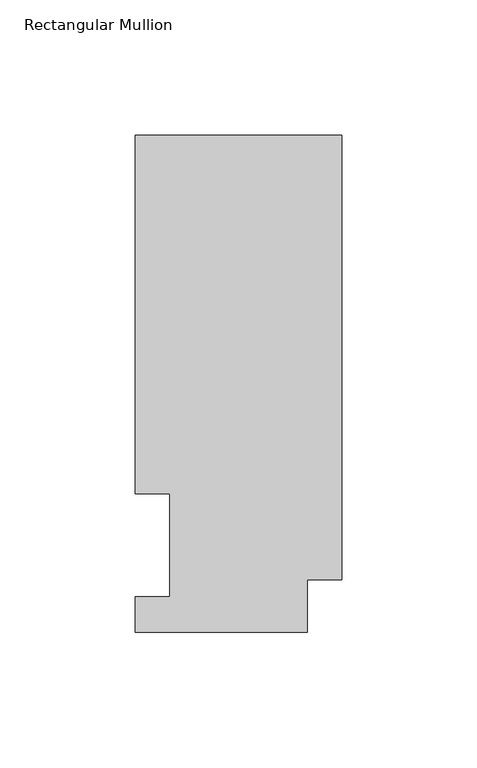
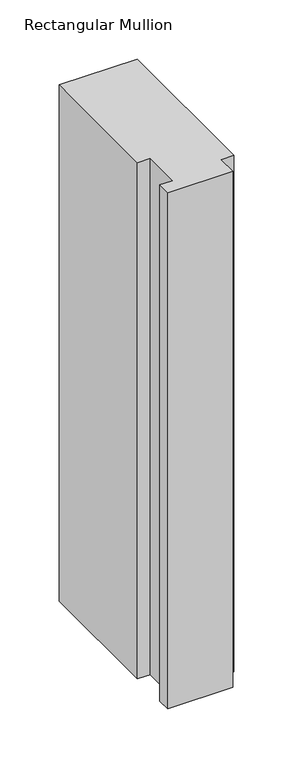
"""IFC4 building model written with IfcOpenShell, lengths in millimetres: member geometry, Rectangular Mullion."""

import ifcopenshell
import ifcopenshell.guid

model = None  # the IFC model being written
_history = None  # IfcOwnerHistory: only IFC2X3 demands one
_inside = {}  # id of a spatial element -> (the spatial element, [elements in it])
_under = {}  # id of a project, library or spatial element -> (it, [spatial elements below it])
_declared = {}  # id of a project -> (the project, [libraries it declares])
_typed = {}  # id of a type object -> (the type object, [elements of that type])
_made_of = {}  # id of a material, layer set ... -> (it, [elements and type objects made of it])


def new_model(schema):
    """Start an empty IFC model of exactly this schema.

    Asked for "IFC4X3", IfcOpenShell would pick the latest addendum, in which some entities
    have other attributes; the version numbers below select the first issue.
    IFC2X3 requires an IfcOwnerHistory on every rooted entity: one is made here for all.
    """
    global model, _history
    if schema == "IFC4X3":
        model = ifcopenshell.file(schema_version=(4, 3, 0, 0))
    else:
        model = ifcopenshell.file(schema=schema)
    _inside.clear()
    _under.clear()
    _declared.clear()
    _typed.clear()
    _made_of.clear()
    _history = None
    if model.schema == "IFC2X3":
        org = make("IfcOrganization", Name="unknown")
        user = make(
            "IfcPersonAndOrganization",
            ThePerson=make("IfcPerson", FamilyName="unknown"),
            TheOrganization=org,
        )
        app = make(
            "IfcApplication",
            ApplicationDeveloper=org,
            Version="unknown",
            ApplicationFullName="unknown",
            ApplicationIdentifier="unknown",
        )
        _history = make(
            "IfcOwnerHistory",
            OwningUser=user,
            OwningApplication=app,
            ChangeAction="ADDED",
            CreationDate=0,
        )
    return model


def make(cls, **values):
    """One entity of the class cls with the attributes given. An attribute that is None is left unset."""
    return model.create_entity(
        cls, **{name: value for name, value in values.items() if value is not None}
    )


def rooted(cls, **values):
    """An entity with a GlobalId (a new one), such as an element, a storey or a relation."""
    return make(cls, GlobalId=ifcopenshell.guid.new(), OwnerHistory=_history, **values)


def si_unit(unit_type, name, prefix=None):
    """IfcSIUnit, for example si_unit("LENGTHUNIT", "METRE", prefix="MILLI")."""
    return make("IfcSIUnit", UnitType=unit_type, Prefix=prefix, Name=name)


def assignment(units):
    """IfcUnitAssignment: the units of a project."""
    return None if units is None else make("IfcUnitAssignment", Units=units)


def point(xyz):
    """IfcCartesianPoint."""
    return None if xyz is None else make("IfcCartesianPoint", Coordinates=xyz)


def direction(xyz):
    """IfcDirection."""
    return None if xyz is None else make("IfcDirection", DirectionRatios=xyz)


def frame(location, z_axis=None, x_axis=None):
    """IfcAxis2Placement3D, a coordinate frame: its origin and axes. An axis left out is left unset."""
    return make(
        "IfcAxis2Placement3D",
        Location=point(location),
        Axis=direction(z_axis),
        RefDirection=direction(x_axis),
    )


def origin():
    """The frame at (0, 0, 0) with its axes left unset."""
    return frame((0.0, 0.0, 0.0))


def place(relative_to, where):
    """IfcLocalPlacement: puts the frame where relative to a parent placement (None: the world)."""
    return make(
        "IfcLocalPlacement", PlacementRelTo=relative_to, RelativePlacement=where
    )


def context(
    kind, dimensions, precision=None, world=None, true_north=None, identifier=None
):
    """IfcGeometricRepresentationContext, for example the 3D "Model" context."""
    return make(
        "IfcGeometricRepresentationContext",
        ContextIdentifier=identifier,
        ContextType=kind,
        CoordinateSpaceDimension=dimensions,
        Precision=precision,
        WorldCoordinateSystem=world,
        TrueNorth=true_north,
    )


def project(units=None, contexts=None):
    """IfcProject with its units and contexts."""
    return rooted(
        "IfcProject",
        Name="project",
        RepresentationContexts=contexts,
        UnitsInContext=assignment(units),
    )


def spatial(cls, under=None, at=None, **own):
    """A site, building, storey or space (cls), placed at a placement, below another one or the project."""
    s = rooted(cls, ObjectPlacement=at, **own)
    if under is not None:
        _under.setdefault(under.id(), (under, []))[1].append(s)
    return s


def polyline(points):
    """IfcPolyline through the points."""
    return make("IfcPolyline", Points=[point(p) for p in points])


def outline(outer, holes=None, kind="AREA"):
    """IfcArbitraryClosedProfileDef: a profile drawn as a closed curve; with holes, ...WithVoids."""
    if holes is None:
        return make("IfcArbitraryClosedProfileDef", ProfileType=kind, OuterCurve=outer)
    return make(
        "IfcArbitraryProfileDefWithVoids",
        ProfileType=kind,
        OuterCurve=outer,
        InnerCurves=holes,
    )


def extrude(swept, where, along, depth):
    """IfcExtrudedAreaSolid: the profile swept, set in the frame where, extruded along a direction by depth."""
    return make(
        "IfcExtrudedAreaSolid",
        SweptArea=swept,
        Position=where,
        ExtrudedDirection=direction(along),
        Depth=depth,
    )


def shape(context_of_items, identifier, shape_type, items):
    """IfcShapeRepresentation: the items that make up one representation, for example the "Body"."""
    return make(
        "IfcShapeRepresentation",
        ContextOfItems=context_of_items,
        RepresentationIdentifier=identifier,
        RepresentationType=shape_type,
        Items=items,
    )


def source(mapping_origin, context_of_items, identifier, shape_type, items):
    """IfcRepresentationMap: a shape defined once, which mapped items show again and again."""
    return make(
        "IfcRepresentationMap",
        MappingOrigin=mapping_origin,
        MappedRepresentation=shape(context_of_items, identifier, shape_type, items),
    )


def transform(
    local_origin,
    x_axis=None,
    y_axis=None,
    z_axis=None,
    scale=None,
    scale2=None,
    scale3=None,
    uniform=True,
):
    """IfcCartesianTransformationOperator3D, or its non-uniform kind. x_axis, y_axis, z_axis: its Axis1, 2, 3."""
    if uniform:
        return make(
            "IfcCartesianTransformationOperator3D",
            Axis1=direction(x_axis),
            Axis2=direction(y_axis),
            LocalOrigin=point(local_origin),
            Scale=scale,
            Axis3=direction(z_axis),
        )
    return make(
        "IfcCartesianTransformationOperator3DnonUniform",
        Axis1=direction(x_axis),
        Axis2=direction(y_axis),
        LocalOrigin=point(local_origin),
        Scale=scale,
        Axis3=direction(z_axis),
        Scale2=scale2,
        Scale3=scale3,
    )


def mapped(mapping_source, mapping_target):
    """IfcMappedItem: shows the shape of a source again, moved by a transform."""
    return make(
        "IfcMappedItem", MappingSource=mapping_source, MappingTarget=mapping_target
    )


def made_of(thing, what):
    """Note that an element or type object is made of a material, layer set ...; save() writes the relation."""
    if what is not None:
        _made_of.setdefault(what.id(), (what, []))[1].append(thing)
    return thing


def element(
    cls,
    number,
    at=None,
    inside=None,
    cuts=None,
    type_object=None,
    material=None,
    context=None,
    identifier="Body",
    shape_type=None,
    held_by="IfcProductDefinitionShape",
    body=None,
    shapes=None,
    **own,
):
    """One element of the class cls, such as IfcWall. Its Tag is "e" and its number.

    at: its placement. inside: the storey or other place that contains it. cuts: it is an
    opening in that element (IfcRelVoidsElement). A single representation is given by context,
    identifier, shape_type and body (its items); several are given by shapes. held_by: the class
    of the entity that holds the representations. save() writes the other relations.
    """
    e = rooted(cls, Tag="e%d" % number, ObjectPlacement=at, **own)
    if body is not None:
        shapes = [shape(context, identifier, shape_type, body)]
    if shapes is not None:
        e.Representation = make(held_by, Representations=shapes)
    if inside is not None:
        _inside.setdefault(inside.id(), (inside, []))[1].append(e)
    if cuts is not None:
        rooted(
            "IfcRelVoidsElement", RelatingBuildingElement=cuts, RelatedOpeningElement=e
        )
    if type_object is not None:
        _typed.setdefault(type_object.id(), (type_object, []))[1].append(e)
    return made_of(e, material)


def aggregate(whole, parts):
    """IfcRelAggregates: a whole, such as a stair, and the parts it consists of."""
    return rooted("IfcRelAggregates", RelatingObject=whole, RelatedObjects=parts)


def save(model, path):
    """Write the relations noted so far, then the file.

    IfcRelAggregates (storeys below a building ...), IfcRelContainedInSpatialStructure (elements
    in a storey), IfcRelDefinesByType, IfcRelAssociatesMaterial and IfcRelDeclares: one each for
    every whole, place, type object, material and project.
    """
    for whole, parts in _under.values():
        aggregate(whole, parts)
    for where, things in _inside.values():
        rooted(
            "IfcRelContainedInSpatialStructure",
            RelatedElements=things,
            RelatingStructure=where,
        )
    for kind, things in _typed.values():
        rooted("IfcRelDefinesByType", RelatedObjects=things, RelatingType=kind)
    for what, things in _made_of.values():
        rooted("IfcRelAssociatesMaterial", RelatedObjects=things, RelatingMaterial=what)
    for by, libraries in _declared.values():
        rooted("IfcRelDeclares", RelatingContext=by, RelatedDefinitions=libraries)
    model.write(path)


def rectangular_mullion_969abf8a(model_context):
    return source(origin(), model_context, "Body", "SweptSolid", [
        extrude(outline(polyline([(0.0, 183.6554938), (0.0, 19.5460937), (-12.7, 19.5460937), (-12.7, 0.0134937), (-76.2000004, 0.0134937), (-76.2000004, 13.1960937), (-63.4943324, 13.1960937), (-63.4943324, 51.2960938), (-76.2000004, 51.2960938), (-76.2000004, 183.6554938), (0.0, 183.6554938)])), frame((0.0, 0.0, -533.4871459), z_axis=(0.0, 0.0, 1.0), x_axis=(1.0, 0.0, 0.0)), (0.0, 0.0, 1.0), 533.4871459),
    ])


if __name__ == "__main__":
    model = new_model("IFC4")
    model_context = context("Model", 3, world=origin())
    ifc_project = project(units=[si_unit("LENGTHUNIT", "METRE", prefix="MILLI")], contexts=[model_context])
    site = spatial("IfcSite", under=ifc_project)
    building = spatial("IfcBuilding", under=site)
    placement = place(None, origin())
    rectangular_mullion_shape = rectangular_mullion_969abf8a(model_context)
    element("IfcMember", 1, ObjectType="Rectangular Mullion", at=placement, inside=building, context=model_context, shape_type="MappedRepresentation", body=[
        mapped(rectangular_mullion_shape, transform((0.0, 0.0, 0.0), x_axis=(1.0, 0.0, 0.0), y_axis=(0.0, 1.0, 0.0), z_axis=(0.0, 0.0, 1.0))),
    ])
    save(model, "model.ifc")
